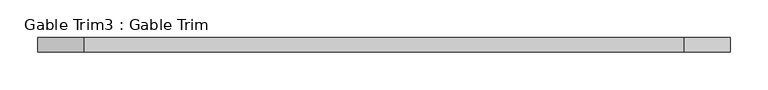
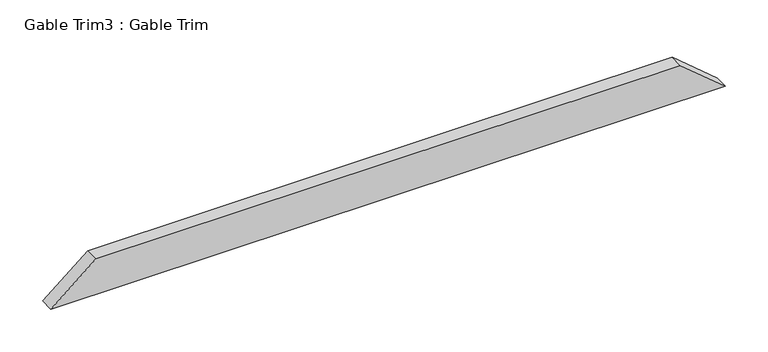
"""IFC4 building model written with IfcOpenShell, lengths in millimetres: proxy geometry, Gable Trim3 : Gable Trim."""

from ifc_helpers import new_model, si_unit, frame, origin, place, context, project, spatial, polyline, outline, extrude, source, transform, mapped, element, save


def gable_trim3_gable_trim_5f907f61(model_context):
    return source(origin(), model_context, "Body", "SweptSolid", [
        extrude(outline(polyline([(2312.821866, 26264.3190396), (2262.021866, 26203.3590396), (2262.021866, 27118.2022877), (2312.821866, 27057.2422877), (2312.821866, 26264.3190396)])), frame((0.0, 3251.2, 0.0), z_axis=(0.0, 1.0, 0.0), x_axis=(0.0, 0.0, 1.0)), (0.0, 0.0, 1.0), 19.05),
    ])


if __name__ == "__main__":
    model = new_model("IFC4")
    model_context = context("Model", 3, world=origin())
    ifc_project = project(units=[si_unit("LENGTHUNIT", "METRE", prefix="MILLI")], contexts=[model_context])
    site = spatial("IfcSite", under=ifc_project)
    building = spatial("IfcBuilding", under=site)
    placement = place(None, origin())
    gable_trim3_gable_trim_shape = gable_trim3_gable_trim_5f907f61(model_context)
    element("IfcBuildingElementProxy", 1, Name="Gable Trim3 : Gable Trim", ObjectType="Gable Trim3 : Gable Trim", at=placement, inside=building, context=model_context, shape_type="MappedRepresentation", body=[
        mapped(gable_trim3_gable_trim_shape, transform((0.0, 0.0, 0.0), x_axis=(1.0, 0.0, 0.0), y_axis=(0.0, 1.0, 0.0), z_axis=(0.0, 0.0, 1.0))),
    ])
    save(model, "model.ifc")
